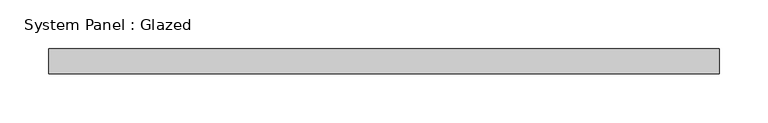
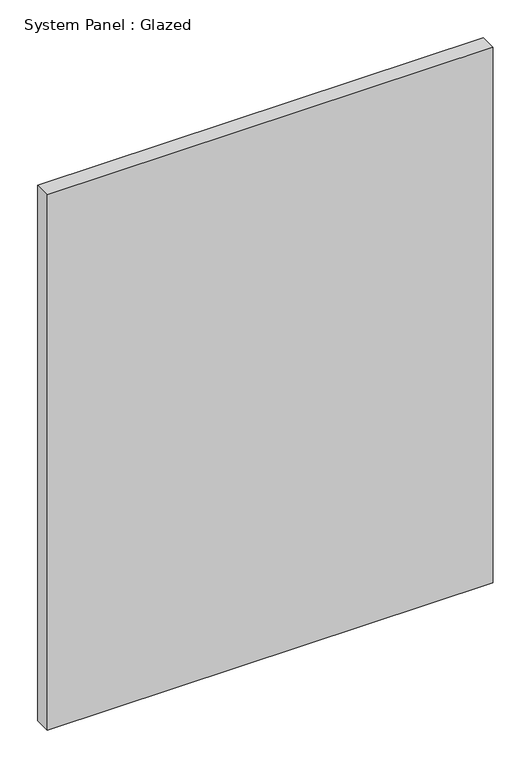
"""IFC4 building model written with IfcOpenShell, lengths in millimetres: plate geometry, System Panel : Glazed."""

from ifc_helpers import new_model, si_unit, origin, origin_with_axes, place, context, project, spatial, polyline, outline, extrude, source, transform, mapped, element, save


def system_panel_glazed_0ea4cb14(model_context):
    return source(origin(), model_context, "Body", "SweptSolid", [
        extrude(outline(polyline([(342.9, 19.05), (-342.9, 19.05), (-342.9, 44.45), (342.9, 44.45), (342.9, 19.05)])), origin_with_axes(), (0.0, 0.0, 1.0), 869.95),
    ])


if __name__ == "__main__":
    model = new_model("IFC4")
    model_context = context("Model", 3, world=origin())
    ifc_project = project(units=[si_unit("LENGTHUNIT", "METRE", prefix="MILLI")], contexts=[model_context])
    site = spatial("IfcSite", under=ifc_project)
    building = spatial("IfcBuilding", under=site)
    placement = place(None, origin())
    system_panel_glazed_shape = system_panel_glazed_0ea4cb14(model_context)
    element("IfcPlate", 1, ObjectType="System Panel : Glazed", at=placement, inside=building, context=model_context, shape_type="MappedRepresentation", body=[
        mapped(system_panel_glazed_shape, transform((0.0, 0.0, 0.0), x_axis=(1.0, 0.0, 0.0), y_axis=(0.0, 1.0, 0.0), z_axis=(0.0, 0.0, 1.0))),
    ])
    save(model, "model.ifc")
